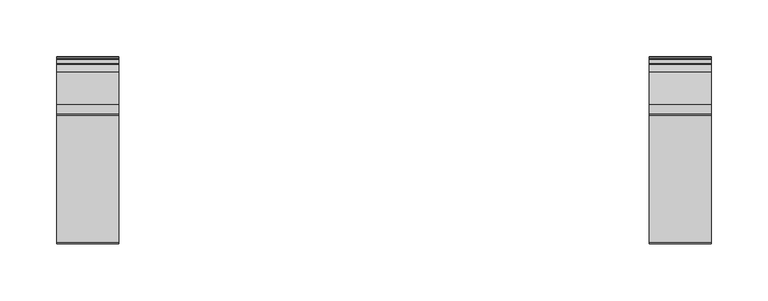
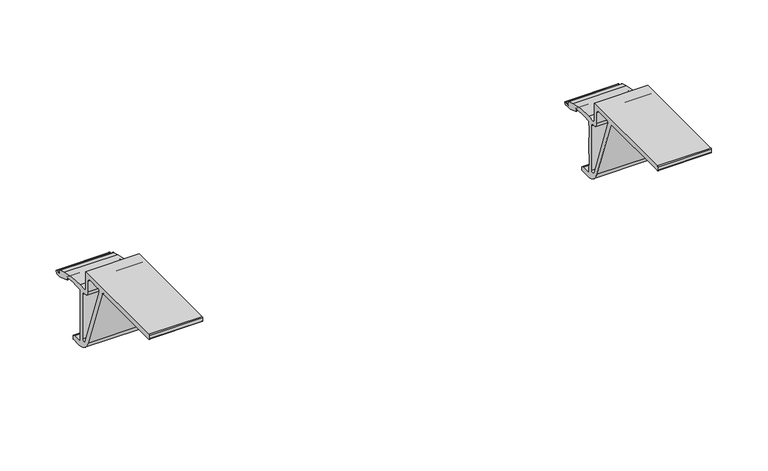
"""IFC4 building model written with IfcOpenShell, lengths in millimetres: furniture geometry."""

from ifc_helpers import new_model, si_unit, point, frame, frame_2d, origin, place, context, project, spatial, polyline, circle_curve, trimmed, segment, composite_curve, outline, extrude, source, transform, mapped, element, save


def furniture_08d3de73(model_context):
    return source(origin(), model_context, "Body", "SweptSolid", [
        extrude(outline(composite_curve([segment(polyline([(-86.7775157, 702.3442663), (-86.7775157, 683.5143182)]), True, "CONTINUOUS"), segment(trimmed(circle_curve(frame_2d((-85.292097, 683.5143182)), 1.4854187), [point((-86.7775157, 683.5143182))], [point((-85.3378537, 682.0296045))], True, "CARTESIAN"), True, "CONTINUOUS"), segment(trimmed(circle_curve(frame_2d((-81.0093269, 822.4818894)), 140.5189684), [point((-85.3378537, 682.0296045))], [point((-76.856973, 682.0242857))], True, "CARTESIAN"), True, "CONTINUOUS"), segment(trimmed(circle_curve(frame_2d((-74.0633567, 587.5273694)), 94.5382012), [point((-76.856973, 682.0242857))], [point((-48.4877744, 678.5403414))], False, "CARTESIAN"), True, "CONTINUOUS"), segment(polyline([(-48.4877744, 678.5403414), (-41.8383194, 676.6717761)]), True, "CONTINUOUS"), segment(trimmed(circle_curve(frame_2d((-42.1056358, 675.7205072)), 0.9881146), [point((-41.8383194, 676.6717761))], [point((-41.1175211, 675.7205072))], False, "CARTESIAN"), True, "CONTINUOUS"), segment(polyline([(-41.1175211, 675.7205072), (-41.1175211, 672.1917413)]), True, "CONTINUOUS"), segment(trimmed(circle_curve(frame_2d((-40.6201001, 672.1917413)), 0.497421), [point((-41.1175211, 672.1917413))], [point((-40.6201001, 671.6943203))], True, "CARTESIAN"), True, "CONTINUOUS"), segment(polyline([(-40.6201001, 671.6943203), (-37.1118129, 671.6943203)]), True, "CONTINUOUS"), segment(trimmed(circle_curve(frame_2d((-36.3675204, 671.8348586)), 0.7574446), [point((-37.1118129, 671.6943203))], [point((-36.3675204, 672.5923033))], False, "CARTESIAN"), True, "CONTINUOUS"), segment(polyline([(-36.3675204, 672.5923033), (-35.1175194, 672.5923033)]), True, "CONTINUOUS"), segment(trimmed(circle_curve(frame_2d((-35.1175194, 672.0499171)), 0.5423862), [point((-35.1175194, 672.5923033))], [point((-34.5751333, 672.0499171))], False, "CARTESIAN"), True, "CONTINUOUS"), segment(trimmed(circle_curve(frame_2d((-38.2117089, 672.0499171)), 3.6365756), [point((-34.5751333, 672.0499171))], [point((-34.7158809, 671.0479847))], False, "CARTESIAN"), True, "CONTINUOUS"), segment(trimmed(circle_curve(frame_2d((-36.7774056, 671.6388342)), 2.144525), [point((-34.7158809, 671.0479847))], [point((-36.7774056, 669.4943092))], False, "CARTESIAN"), True, "CONTINUOUS"), segment(polyline([(-36.7774056, 669.4943092), (-41.2515606, 669.4943092)]), True, "CONTINUOUS"), segment(trimmed(circle_curve(frame_2d((-41.2515606, 679.381534)), 9.8872248), [point((-41.2515606, 669.4943092))], [point((-44.6331396, 670.0905633))], False, "CARTESIAN"), True, "CONTINUOUS"), segment(polyline([(-44.6331396, 670.0905633), (-53.4074199, 673.2840856)]), True, "CONTINUOUS"), segment(trimmed(circle_curve(frame_2d((-53.1786588, 673.9126124)), 0.6688629), [point((-53.4074199, 673.2840856))], [point((-53.8475217, 673.9126124))], False, "CARTESIAN"), True, "CONTINUOUS"), segment(polyline([(-53.8475217, 673.9126124), (-53.8475217, 676.3966077)]), True, "CONTINUOUS"), segment(trimmed(circle_curve(frame_2d((-54.3956091, 676.3966077)), 0.5480874), [point((-53.8475217, 676.3966077))], [point((-54.3896324, 676.9446625))], True, "CARTESIAN"), True, "CONTINUOUS"), segment(polyline([(-54.3896324, 676.9446625), (-61.2324225, 677.019286), (-62.0367766, 677.3442661), (-73.2033319, 677.3442661), (-73.924907, 676.9442905), (-77.2525157, 676.9442905), (-77.2525157, 672.3533048), (-77.6525185, 671.568255), (-77.6525185, 659.8268591), (-77.2525157, 659.0745632), (-77.2525157, 641.8510099), (-77.6525185, 641.1293857), (-77.6525185, 629.2541441), (-77.2525157, 628.5325199), (-77.2525157, 622.098558)]), True, "CONTINUOUS"), segment(trimmed(circle_curve(frame_2d((-76.2182289, 622.098558)), 1.0342868), [point((-77.2525157, 622.098558))], [point((-76.2182289, 621.0642712))], True, "CARTESIAN"), True, "CONTINUOUS"), segment(polyline([(-76.2182289, 621.0642712), (-67.800534, 621.0642712), (-65.229694, 620.1285843)]), True, "CONTINUOUS"), segment(trimmed(circle_curve(frame_2d((-65.4777226, 619.447115)), 0.7252025), [point((-65.229694, 620.1285843))], [point((-64.7525201, 619.447115))], False, "CARTESIAN"), True, "CONTINUOUS"), segment(polyline([(-64.7525201, 619.447115), (-64.7525201, 616.6575152)]), True, "CONTINUOUS"), segment(trimmed(circle_curve(frame_2d((-65.3457497, 616.6575152)), 0.5932296), [point((-64.7525201, 616.6575152))], [point((-65.3457497, 616.0642857))], False, "CARTESIAN"), True, "CONTINUOUS"), segment(polyline([(-65.3457497, 616.0642857), (-74.8192867, 616.0642857)]), True, "CONTINUOUS"), segment(trimmed(circle_curve(frame_2d((-74.8192867, 633.8207609)), 17.7564752), [point((-74.8192867, 616.0642857))], [point((-91.5049141, 627.7476849))], False, "CARTESIAN"), True, "CONTINUOUS"), segment(polyline([(-91.5049141, 627.7476849), (-116.1240038, 695.3880307)]), True, "CONTINUOUS"), segment(trimmed(circle_curve(frame_2d((-118.9178192, 694.3711643)), 2.9731165), [point((-116.1240038, 695.3880307))], [point((-118.9178192, 697.3442808))], True, "CARTESIAN"), True, "CONTINUOUS"), segment(polyline([(-118.9178192, 697.3442808), (-199.0743454, 697.3442808)]), True, "CONTINUOUS"), segment(trimmed(circle_curve(frame_2d((-199.0743454, 698.0774523)), 0.7331715), [point((-199.0743454, 697.3442808))], [point((-199.8075169, 698.0774523))], False, "CARTESIAN"), True, "CONTINUOUS"), segment(polyline([(-199.8075169, 698.0774523), (-199.8075169, 701.5085288)]), True, "CONTINUOUS"), segment(trimmed(circle_curve(frame_2d((-198.9717794, 701.5085288)), 0.8357375), [point((-199.8075169, 701.5085288))], [point((-198.9717794, 702.3442663))], False, "CARTESIAN"), True, "CONTINUOUS"), segment(polyline([(-198.9717794, 702.3442663), (-86.7775157, 702.3442663)]), True, "CONTINUOUS")], self_intersect=False), holes=[composite_curve([segment(polyline([(-91.7775194, 683.5242668), (-91.7775194, 694.962507)]), True, "CONTINUOUS"), segment(trimmed(circle_curve(frame_2d((-94.0792835, 694.962507)), 2.3017641), [point((-91.7775194, 694.962507))], [point((-94.0792835, 697.2642712))], True, "CARTESIAN"), True, "CONTINUOUS"), segment(polyline([(-94.0792835, 697.2642712), (-108.4695152, 697.2642712)]), True, "CONTINUOUS"), segment(trimmed(circle_curve(frame_2d((-108.4695152, 695.1521055)), 2.1121657), [point((-108.4695152, 697.2642712))], [point((-110.4543016, 694.4297021))], True, "CARTESIAN"), True, "CONTINUOUS"), segment(polyline([(-110.4543016, 694.4297021), (-85.6626687, 626.3152707)]), True, "CONTINUOUS"), segment(trimmed(circle_curve(frame_2d((-84.0106069, 626.9165723)), 1.7580875), [point((-85.6626687, 626.3152707))], [point((-82.2525194, 626.9165723))], True, "CARTESIAN"), True, "CONTINUOUS"), segment(polyline([(-82.2525194, 626.9165723), (-82.2525194, 674.9752186)]), True, "CONTINUOUS"), segment(trimmed(circle_curve(frame_2d((-84.2710984, 674.9752186)), 2.018579), [point((-82.2525194, 674.9752186))], [point((-84.4884607, 676.9820606))], True, "CARTESIAN"), True, "CONTINUOUS"), segment(trimmed(circle_curve(frame_2d((-85.1970511, 683.5242668)), 6.5804683), [point((-84.4884607, 676.9820606))], [point((-91.7775194, 683.5242668))], False, "CARTESIAN"), True, "CONTINUOUS")], self_intersect=False)]), frame((600.6223959, 0.0, 0.0), z_axis=(1.0, 0.0, 0.0), x_axis=(0.0, 1.0, 0.0)), (0.0, 0.0, 1.0), 55.0000041),
        extrude(outline(composite_curve([segment(polyline([(-86.7775157, 702.3442663), (-86.7775157, 683.5143182)]), True, "CONTINUOUS"), segment(trimmed(circle_curve(frame_2d((-85.292097, 683.5143182)), 1.4854187), [point((-86.7775157, 683.5143182))], [point((-85.3378537, 682.0296045))], True, "CARTESIAN"), True, "CONTINUOUS"), segment(trimmed(circle_curve(frame_2d((-81.0093269, 822.4818894)), 140.5189684), [point((-85.3378537, 682.0296045))], [point((-76.856973, 682.0242857))], True, "CARTESIAN"), True, "CONTINUOUS"), segment(trimmed(circle_curve(frame_2d((-74.0633567, 587.5273694)), 94.5382012), [point((-76.856973, 682.0242857))], [point((-48.4877744, 678.5403414))], False, "CARTESIAN"), True, "CONTINUOUS"), segment(polyline([(-48.4877744, 678.5403414), (-41.8383194, 676.6717761)]), True, "CONTINUOUS"), segment(trimmed(circle_curve(frame_2d((-42.1056358, 675.7205072)), 0.9881146), [point((-41.8383194, 676.6717761))], [point((-41.1175211, 675.7205072))], False, "CARTESIAN"), True, "CONTINUOUS"), segment(polyline([(-41.1175211, 675.7205072), (-41.1175211, 672.1917413)]), True, "CONTINUOUS"), segment(trimmed(circle_curve(frame_2d((-40.6201001, 672.1917413)), 0.497421), [point((-41.1175211, 672.1917413))], [point((-40.6201001, 671.6943203))], True, "CARTESIAN"), True, "CONTINUOUS"), segment(polyline([(-40.6201001, 671.6943203), (-37.1118129, 671.6943203)]), True, "CONTINUOUS"), segment(trimmed(circle_curve(frame_2d((-36.3675204, 671.8348586)), 0.7574446), [point((-37.1118129, 671.6943203))], [point((-36.3675204, 672.5923033))], False, "CARTESIAN"), True, "CONTINUOUS"), segment(polyline([(-36.3675204, 672.5923033), (-35.1175194, 672.5923033)]), True, "CONTINUOUS"), segment(trimmed(circle_curve(frame_2d((-35.1175194, 672.0499171)), 0.5423862), [point((-35.1175194, 672.5923033))], [point((-34.5751333, 672.0499171))], False, "CARTESIAN"), True, "CONTINUOUS"), segment(trimmed(circle_curve(frame_2d((-38.2117089, 672.0499171)), 3.6365756), [point((-34.5751333, 672.0499171))], [point((-34.7158809, 671.0479847))], False, "CARTESIAN"), True, "CONTINUOUS"), segment(trimmed(circle_curve(frame_2d((-36.7774056, 671.6388342)), 2.144525), [point((-34.7158809, 671.0479847))], [point((-36.7774056, 669.4943092))], False, "CARTESIAN"), True, "CONTINUOUS"), segment(polyline([(-36.7774056, 669.4943092), (-41.2515606, 669.4943092)]), True, "CONTINUOUS"), segment(trimmed(circle_curve(frame_2d((-41.2515606, 679.381534)), 9.8872248), [point((-41.2515606, 669.4943092))], [point((-44.6331396, 670.0905633))], False, "CARTESIAN"), True, "CONTINUOUS"), segment(polyline([(-44.6331396, 670.0905633), (-53.4074199, 673.2840856)]), True, "CONTINUOUS"), segment(trimmed(circle_curve(frame_2d((-53.1786588, 673.9126124)), 0.6688629), [point((-53.4074199, 673.2840856))], [point((-53.8475217, 673.9126124))], False, "CARTESIAN"), True, "CONTINUOUS"), segment(polyline([(-53.8475217, 673.9126124), (-53.8475217, 676.3966077)]), True, "CONTINUOUS"), segment(trimmed(circle_curve(frame_2d((-54.3956091, 676.3966077)), 0.5480874), [point((-53.8475217, 676.3966077))], [point((-54.3896324, 676.9446625))], True, "CARTESIAN"), True, "CONTINUOUS"), segment(polyline([(-54.3896324, 676.9446625), (-61.2324225, 677.019286), (-62.0367766, 677.3442661), (-73.2033319, 677.3442661), (-73.924907, 676.9442905), (-77.2525157, 676.9442905), (-77.2525157, 672.3533048), (-77.6525185, 671.568255), (-77.6525185, 659.8268591), (-77.2525157, 659.0745632), (-77.2525157, 641.8510099), (-77.6525185, 641.1293857), (-77.6525185, 629.2541441), (-77.2525157, 628.5325199), (-77.2525157, 622.098558)]), True, "CONTINUOUS"), segment(trimmed(circle_curve(frame_2d((-76.2182289, 622.098558)), 1.0342868), [point((-77.2525157, 622.098558))], [point((-76.2182289, 621.0642712))], True, "CARTESIAN"), True, "CONTINUOUS"), segment(polyline([(-76.2182289, 621.0642712), (-67.800534, 621.0642712), (-65.229694, 620.1285843)]), True, "CONTINUOUS"), segment(trimmed(circle_curve(frame_2d((-65.4777226, 619.447115)), 0.7252025), [point((-65.229694, 620.1285843))], [point((-64.7525201, 619.447115))], False, "CARTESIAN"), True, "CONTINUOUS"), segment(polyline([(-64.7525201, 619.447115), (-64.7525201, 616.6575152)]), True, "CONTINUOUS"), segment(trimmed(circle_curve(frame_2d((-65.3457497, 616.6575152)), 0.5932296), [point((-64.7525201, 616.6575152))], [point((-65.3457497, 616.0642857))], False, "CARTESIAN"), True, "CONTINUOUS"), segment(polyline([(-65.3457497, 616.0642857), (-74.8192867, 616.0642857)]), True, "CONTINUOUS"), segment(trimmed(circle_curve(frame_2d((-74.8192867, 633.8207609)), 17.7564752), [point((-74.8192867, 616.0642857))], [point((-91.5049141, 627.7476849))], False, "CARTESIAN"), True, "CONTINUOUS"), segment(polyline([(-91.5049141, 627.7476849), (-116.1240038, 695.3880307)]), True, "CONTINUOUS"), segment(trimmed(circle_curve(frame_2d((-118.9178192, 694.3711643)), 2.9731165), [point((-116.1240038, 695.3880307))], [point((-118.9178192, 697.3442808))], True, "CARTESIAN"), True, "CONTINUOUS"), segment(polyline([(-118.9178192, 697.3442808), (-199.0743454, 697.3442808)]), True, "CONTINUOUS"), segment(trimmed(circle_curve(frame_2d((-199.0743454, 698.0774523)), 0.7331715), [point((-199.0743454, 697.3442808))], [point((-199.8075169, 698.0774523))], False, "CARTESIAN"), True, "CONTINUOUS"), segment(polyline([(-199.8075169, 698.0774523), (-199.8075169, 701.5085288)]), True, "CONTINUOUS"), segment(trimmed(circle_curve(frame_2d((-198.9717794, 701.5085288)), 0.8357375), [point((-199.8075169, 701.5085288))], [point((-198.9717794, 702.3442663))], False, "CARTESIAN"), True, "CONTINUOUS"), segment(polyline([(-198.9717794, 702.3442663), (-86.7775157, 702.3442663)]), True, "CONTINUOUS")], self_intersect=False), holes=[composite_curve([segment(polyline([(-91.7775194, 683.5242668), (-91.7775194, 694.962507)]), True, "CONTINUOUS"), segment(trimmed(circle_curve(frame_2d((-94.0792835, 694.962507)), 2.3017641), [point((-91.7775194, 694.962507))], [point((-94.0792835, 697.2642712))], True, "CARTESIAN"), True, "CONTINUOUS"), segment(polyline([(-94.0792835, 697.2642712), (-108.4695152, 697.2642712)]), True, "CONTINUOUS"), segment(trimmed(circle_curve(frame_2d((-108.4695152, 695.1521055)), 2.1121657), [point((-108.4695152, 697.2642712))], [point((-110.4543016, 694.4297021))], True, "CARTESIAN"), True, "CONTINUOUS"), segment(polyline([(-110.4543016, 694.4297021), (-85.6626687, 626.3152707)]), True, "CONTINUOUS"), segment(trimmed(circle_curve(frame_2d((-84.0106069, 626.9165723)), 1.7580875), [point((-85.6626687, 626.3152707))], [point((-82.2525194, 626.9165723))], True, "CARTESIAN"), True, "CONTINUOUS"), segment(polyline([(-82.2525194, 626.9165723), (-82.2525194, 674.9752186)]), True, "CONTINUOUS"), segment(trimmed(circle_curve(frame_2d((-84.2710984, 674.9752186)), 2.018579), [point((-82.2525194, 674.9752186))], [point((-84.4884607, 676.9820606))], True, "CARTESIAN"), True, "CONTINUOUS"), segment(trimmed(circle_curve(frame_2d((-85.1970511, 683.5242668)), 6.5804683), [point((-84.4884607, 676.9820606))], [point((-91.7775194, 683.5242668))], False, "CARTESIAN"), True, "CONTINUOUS")], self_intersect=False)]), frame((77.9296001, 0.0, 0.0), z_axis=(1.0, 0.0, 0.0), x_axis=(0.0, 1.0, 0.0)), (0.0, 0.0, 1.0), 55.0000041),
    ])


if __name__ == "__main__":
    model = new_model("IFC4")
    model_context = context("Model", 3, world=origin())
    ifc_project = project(units=[si_unit("LENGTHUNIT", "METRE", prefix="MILLI")], contexts=[model_context])
    site = spatial("IfcSite", under=ifc_project)
    building = spatial("IfcBuilding", under=site)
    placement = place(None, origin())
    furniture_shape = furniture_08d3de73(model_context)
    element("IfcFurniture", 1, at=placement, inside=building, context=model_context, shape_type="MappedRepresentation", body=[
        mapped(furniture_shape, transform((0.0, 0.0, 0.0), x_axis=(1.0, 0.0, 0.0), y_axis=(0.0, 1.0, 0.0), z_axis=(0.0, 0.0, 1.0))),
    ])
    save(model, "model.ifc")
